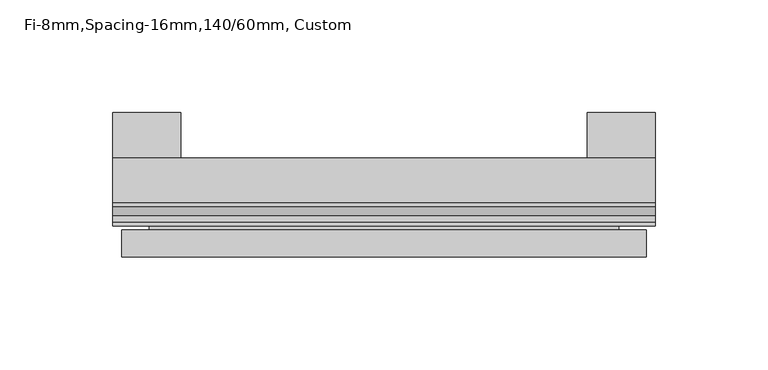
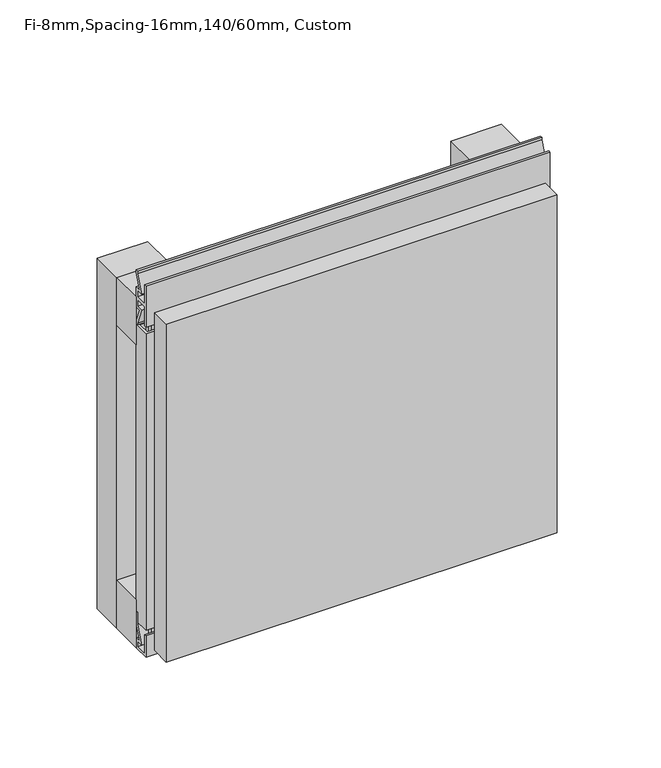
"""IFC4 building model written with IfcOpenShell, lengths in millimetres: plate geometry, Fi-8mm,Spacing-16mm,140/60mm, Custom."""

from ifc_helpers import new_model, si_unit, frame, origin, origin_with_axes, place, context, project, spatial, polyline, outline, extrude, faceted_brep, source, transform, mapped, element, save


def fi_8mm_spacing_16mm_140_60mm_custom_7ed88c6a(model_context):
    return source(origin(), model_context, "Body", "SolidModel", [
        extrude(outline(polyline([(-120.0, -40.0), (-120.0, -20.0), (120.0, -20.0), (120.0, -40.0), (-120.0, -40.0)])), frame((0.0, 0.0, 190.0), z_axis=(0.0, 0.0, 1.0), x_axis=(1.0, 0.0, 0.0)), (0.0, 0.0, 1.0), 30.0),
        extrude(outline(polyline([(-120.0, -40.0), (-120.0, -20.0), (120.0, -20.0), (120.0, -40.0), (-120.0, -40.0)])), origin_with_axes(), (0.0, 0.0, 1.0), 30.0),
        extrude(outline(polyline([(90.0, 0.0), (120.0, 0.0), (120.0, -20.0), (90.0, -20.0), (90.0, 0.0)])), origin_with_axes(), (0.0, 0.0, 1.0), 220.0),
        extrude(outline(polyline([(-90.0, 0.0), (-90.0, -20.0), (-120.0, -20.0), (-120.0, 0.0), (-90.0, 0.0)])), origin_with_axes(), (0.0, 0.0, 1.0), 220.0),
        extrude(outline(polyline([(-40.0, 6.299084), (-40.0, 0.0), (-50.1, 0.0), (-50.1, 13.4156807), (-48.7, 13.4156807), (-48.7, 1.4156807), (-41.4, 1.4156807), (-41.4, 4.899084), (-45.5140545, 4.899084), (-41.4553267, 15.5703394), (-41.4553267, 22.991548), (-40.0553267, 22.991548), (-40.0553267, 15.3558599), (-43.5, 6.299084), (-40.0, 6.299084)])), frame((-120.0, 0.0, 0.0), z_axis=(1.0, 0.0, 0.0), x_axis=(0.0, 1.0, 0.0)), (0.0, 0.0, 1.0), 240.0),
        extrude(outline(polyline([(-113.700916, -40.0), (-113.700916, -43.5), (-104.6441401, -40.0553267), (-97.008452, -40.0553267), (-97.008452, -41.4553267), (-104.4296606, -41.4553267), (-115.100916, -45.5140545), (-115.100916, -41.4), (-118.5843193, -41.4), (-118.5843193, -48.7), (-106.5843193, -48.7), (-106.5843193, -50.1), (-120.0, -50.1), (-120.0, -40.0), (-113.700916, -40.0)])), frame((0.0, 0.0, 16.9558599), z_axis=(0.0, 0.0, 1.0), x_axis=(1.0, 0.0, 0.0)), (0.0, 0.0, 1.0), 186.0882802),
        extrude(outline(polyline([(-48.7, 220.899084), (-41.4, 220.899084), (-41.4, 224.899084), (-45.5140545, 224.899084), (-41.4553267, 235.5703394), (-41.4553267, 236.9558599), (-40.0553267, 236.9558599), (-40.0553267, 235.3558599), (-43.5, 226.299084), (-40.0, 226.299084), (-40.0, 213.700916), (-43.5, 213.700916), (-40.0553267, 204.6441401), (-40.0553267, 203.0441401), (-41.4553267, 203.0441401), (-41.4553267, 204.4296606), (-45.5140545, 215.100916), (-41.4, 215.100916), (-41.4, 219.100916), (-48.7, 219.100916), (-48.7, 207.100916), (-50.1, 207.100916), (-50.1, 232.899084), (-48.7, 232.899084), (-48.7, 220.899084)])), frame((-120.0, 0.0, 0.0), z_axis=(1.0, 0.0, 0.0), x_axis=(0.0, 1.0, 0.0)), (0.0, 0.0, 1.0), 240.0),
        faceted_brep([(116.0, -45.9, 216.0), (-116.0, -45.9, 216.0), (-116.0, -48.7, 216.0), (116.0, -48.7, 216.0), (-116.0, -63.9, 216.0), (116.0, -63.9, 216.0), (116.0, -51.9, 216.0), (-116.0, -51.9, 216.0), (-116.0, -45.9, 4.0), (116.0, -45.9, 4.0), (116.0, -48.7, 4.0), (-116.0, -48.7, 4.0), (116.0, -63.9, 4.0), (-116.0, -63.9, 4.0), (-116.0, -51.9, 4.0), (116.0, -51.9, 4.0), (104.0, -51.9, 204.0), (104.0, -51.9, 16.0), (104.0, -48.7, 16.0), (104.0, -48.7, 204.0), (-104.0, -51.9, 16.0), (-104.0, -48.7, 16.0), (-104.0, -51.9, 204.0), (-104.0, -48.7, 204.0)], [[[0, 1, 2, 3]], [[4, 5, 6, 7]], [[8, 9, 10, 11]], [[12, 13, 14, 15]], [[1, 0, 9, 8]], [[1, 8, 11, 2]], [[13, 4, 7, 14]], [[5, 4, 13, 12]], [[9, 0, 3, 10]], [[5, 12, 15, 6]], [[16, 17, 18, 19]], [[18, 17, 20, 21]], [[21, 20, 22, 23]], [[16, 19, 23, 22]], [[7, 6, 15, 14], [17, 16, 22, 20]], [[3, 2, 11, 10], [19, 18, 21, 23]]]),
    ])


if __name__ == "__main__":
    model = new_model("IFC4")
    model_context = context("Model", 3, world=origin())
    ifc_project = project(units=[si_unit("LENGTHUNIT", "METRE", prefix="MILLI")], contexts=[model_context])
    site = spatial("IfcSite", under=ifc_project)
    building = spatial("IfcBuilding", under=site)
    placement = place(None, origin())
    fi_8mm_spacing_16mm_140_60mm_custom_shape = fi_8mm_spacing_16mm_140_60mm_custom_7ed88c6a(model_context)
    element("IfcPlate", 1, ObjectType="Fi-8mm,Spacing-16mm,140/60mm, Custom", at=placement, inside=building, context=model_context, shape_type="MappedRepresentation", body=[
        mapped(fi_8mm_spacing_16mm_140_60mm_custom_shape, transform((0.0, 0.0, 0.0), x_axis=(1.0, 0.0, 0.0), y_axis=(0.0, 1.0, 0.0), z_axis=(0.0, 0.0, 1.0))),
    ])
    save(model, "model.ifc")
